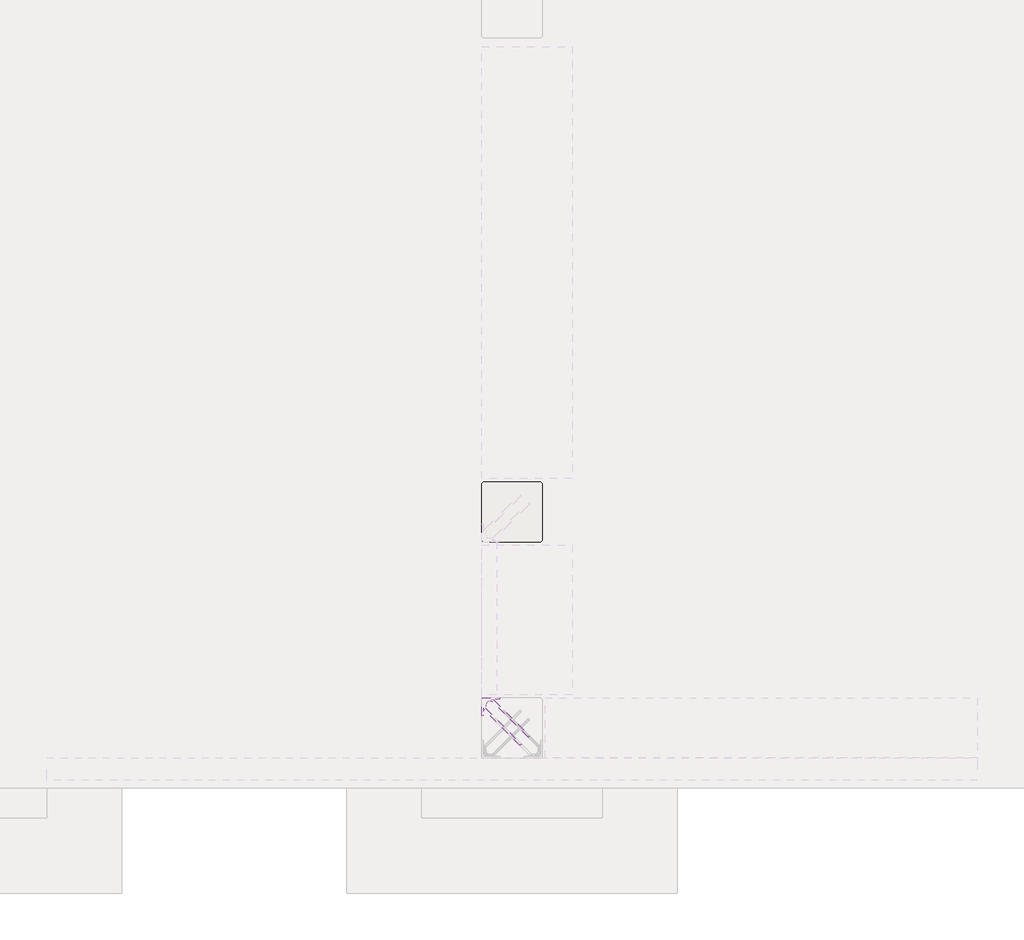
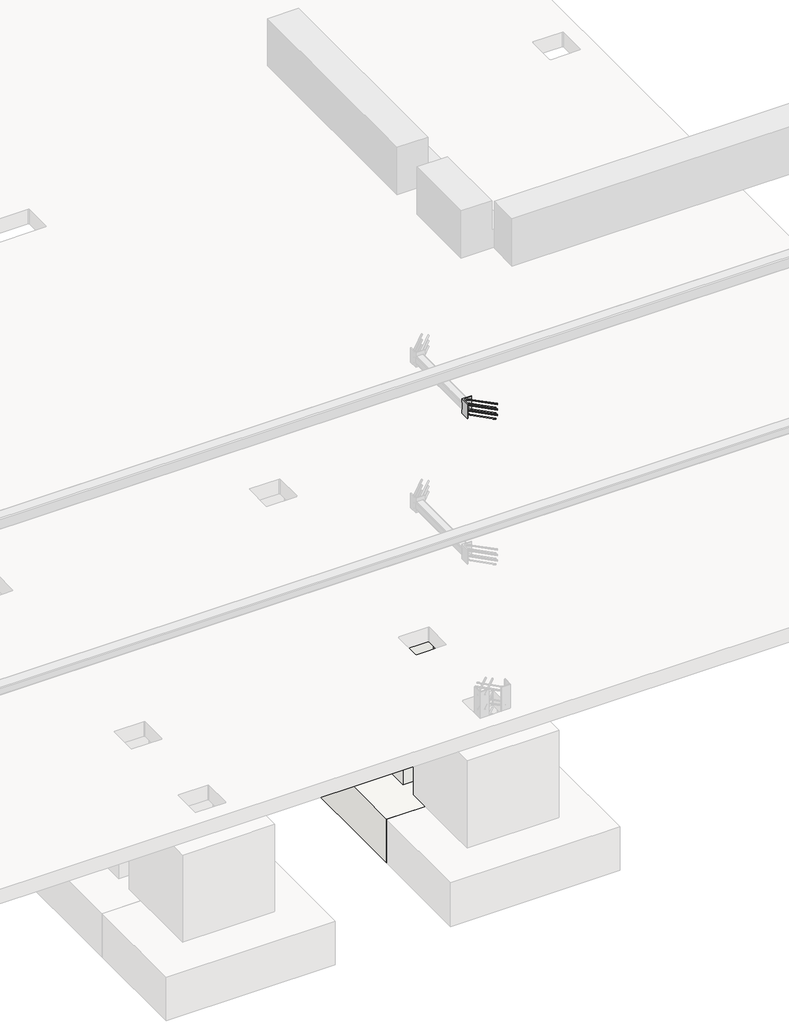
# One storey, part 50 of 65: 1 fastener, 1 slab.
"""IFC4 building model written with IfcOpenShell, lengths in millimetres."""

from ifc_helpers import new_model, si_unit, point, frame, frame_2d, origin, place, context, project, spatial, polyline, circle_curve, ellipse_curve, trimmed, segment, composite_curve, outline, extrude, faceted_brep, element, save
from ifc_brep_helpers import plane_surface, cylinder_surface, revolved_surface, advanced_brep

model = new_model("IFC4")

# Units and contexts
model_context = context("Model", 3, world=origin())
ifc_project = project(units=[si_unit("LENGTHUNIT", "METRE", prefix="MILLI")], contexts=[model_context])

# Site, building, storey
site = spatial("IfcSite", under=ifc_project)
building = spatial("IfcBuilding", under=site)
storey = spatial("IfcBuildingStorey", under=building, Elevation=0.0)

# Fastener
placement = place(None, origin())
element("IfcFastener", 1, at=placement, inside=storey, context=model_context, shape_type="SolidModel", body=[
    advanced_brep(
    [(74902.5376259, 9882.5628791, 4125.0), (74912.4371209, 9892.4623741, 4125.0), (74967.4371209, 9947.4623741, 4125.0), (74957.5376259, 9937.5628791, 4125.0), (74697.0, 10176.0, 4125.0), (74697.0, 10190.0, 4125.0), (74715.7867966, 10190.0, 4125.0), (74715.7867966, 10176.0, 4125.0), (74674.0, 10153.0, 4125.0), (74660.0, 10153.0, 4125.0), (74674.0, 10134.2132034, 4125.0), (74660.0, 10134.2132034, 4125.0), (74666.4436508, 10118.6568542, 4125.0), (74676.3431458, 10128.5563492, 4125.0), (74721.4436508, 10173.6568542, 4125.0), (74731.3431458, 10183.5563492, 4125.0)],
    [
        (0, 1, circle_curve(frame((74907.4873734, 9887.5126266, 4125.0), z_axis=(0.7071067811865459, -0.7071067811865493, 0.0), x_axis=(0.7071067811865493, 0.7071067811865459, 0.0)), 7.0)),
        (1, 0, circle_curve(frame((74907.4873734, 9887.5126266, 4125.0), z_axis=(0.7071067811865459, -0.7071067811865493, 0.0), x_axis=(0.7071067811865493, 0.7071067811865459, 0.0)), 7.0)),
        (2, 3, circle_curve(frame((74962.4873734, 9942.5126266, 4125.0), z_axis=(0.7071067811865457, -0.7071067811865493, 0.0), x_axis=(-0.7071067811865493, -0.7071067811865457, 0.0)), 7.0)),
        (3, 2, circle_curve(frame((74962.4873734, 9942.5126266, 4125.0), z_axis=(0.7071067811865457, -0.7071067811865493, 0.0), x_axis=(-0.7071067811865493, -0.7071067811865457, 0.0)), 7.0)),
        (4, 5, circle_curve(frame((74697.0, 10183.0, 4125.0), z_axis=(1.0, 0.0, 0.0), x_axis=(0.0, -1.0, 0.0)), 7.0)),
        (5, 6),
        (6, 7, circle_curve(frame((74715.7867966, 10183.0, 4125.0), z_axis=(-1.0, 0.0, 0.0), x_axis=(0.0, -1.0, 0.0)), 7.0)),
        (7, 4),
        (5, 4, circle_curve(frame((74697.0, 10183.0, 4125.0), z_axis=(1.0, 0.0, 0.0), x_axis=(0.0, -1.0, 0.0)), 7.0)),
        (7, 6, circle_curve(frame((74715.7867966, 10183.0, 4125.0), z_axis=(-1.0, 0.0, 0.0), x_axis=(0.0, -1.0, 0.0)), 7.0)),
        (4, 8, circle_curve(frame((74697.0, 10153.0, 4125.0), z_axis=(0.0, 0.0, 1.0), x_axis=(-1.0, 0.0, 0.0)), 23.0)),
        (8, 9, circle_curve(frame((74667.0, 10153.0, 4125.0), z_axis=(0.0, 1.0, 0.0), x_axis=(1.0, 0.0, 0.0)), 7.0)),
        (9, 5, circle_curve(frame((74697.0, 10153.0, 4125.0), z_axis=(0.0, 0.0, -1.0), x_axis=(-1.0, 0.0, 0.0)), 37.0)),
        (9, 8, circle_curve(frame((74667.0, 10153.0, 4125.0), z_axis=(0.0, 1.0, 0.0), x_axis=(1.0, 0.0, 0.0)), 7.0)),
        (10, 11, circle_curve(frame((74667.0, 10134.2132034, 4125.0), z_axis=(0.0, 1.0, 0.0), x_axis=(1.0, 0.0, 0.0)), 7.0)),
        (11, 9),
        (8, 10),
        (11, 10, circle_curve(frame((74667.0, 10134.2132034, 4125.0), z_axis=(0.0, 1.0, 0.0), x_axis=(1.0, 0.0, 0.0)), 7.0)),
        (0, 12),
        (12, 13, circle_curve(frame((74671.3933983, 10123.6066017, 4125.0), z_axis=(0.7071067811865459, -0.7071067811865493, 0.0), x_axis=(0.7071067811865493, 0.7071067811865459, 0.0)), 7.0)),
        (13, 1),
        (13, 12, circle_curve(frame((74671.3933983, 10123.6066017, 4125.0), z_axis=(0.7071067811865459, -0.7071067811865493, 0.0), x_axis=(0.7071067811865493, 0.7071067811865459, 0.0)), 7.0)),
        (10, 13, circle_curve(frame((74682.0, 10134.2132034, 4125.0), z_axis=(0.0, 0.0, 1.0), x_axis=(-0.7071067811865491, -0.7071067811865459, 0.0)), 8.0)),
        (12, 11, circle_curve(frame((74682.0, 10134.2132034, 4125.0), z_axis=(0.0, 0.0, -1.0), x_axis=(-0.7071067811865491, -0.7071067811865459, 0.0)), 22.0)),
        (14, 7, circle_curve(frame((74715.7867966, 10168.0, 4125.0), z_axis=(0.0, 0.0, 1.0), x_axis=(0.0, 1.0, 0.0)), 8.0)),
        (6, 15, circle_curve(frame((74715.7867966, 10168.0, 4125.0), z_axis=(0.0, 0.0, -1.0), x_axis=(0.0, 1.0, 0.0)), 22.0)),
        (15, 14, circle_curve(frame((74726.3933983, 10178.6066017, 4125.0), z_axis=(-0.7071067811865456, 0.7071067811865495, 0.0), x_axis=(-0.7071067811865495, -0.7071067811865456, 0.0)), 7.0)),
        (14, 15, circle_curve(frame((74726.3933983, 10178.6066017, 4125.0), z_axis=(-0.707106781186545, 0.70710678118655, 0.0), x_axis=(-0.70710678118655, -0.707106781186545, 0.0)), 7.0)),
        (15, 2),
        (3, 14),
    ],
    [
        plane_surface(frame((74907.4873734, 9887.5126266, 4125.0), z_axis=(0.7071067811865459, -0.7071067811865493, 0.0), x_axis=(0.0, 0.0, -1.0))),
        plane_surface(frame((74962.4873734, 9942.5126266, 4125.0), z_axis=(0.7071067811865457, -0.7071067811865493, 0.0), x_axis=(0.0, 0.0, -1.0))),
        cylinder_surface(frame((74697.0, 10183.0, 4125.0), z_axis=(-1.0, 0.0, 0.0), x_axis=(0.0, -1.0, 0.0)), 7.0),
        revolved_surface(trimmed(ellipse_curve(frame((74667.0, 10153.0, 4125.0), z_axis=(0.0, -1.0, 0.0), x_axis=(1.0, 0.0, 0.0)), 7.0, 7.0), [point((74660.0, 10153.0, 4125.0))], [point((74674.0, 10153.0, 4125.0))], True, "CARTESIAN"), (74697.0, 10153.0, 4125.0), (0.0, 0.0, -1.0)),
        revolved_surface(trimmed(ellipse_curve(frame((74667.0, 10153.0, 4125.0), z_axis=(0.0, -1.0, 0.0), x_axis=(1.0, 0.0, 0.0)), 7.0, 7.0), [point((74674.0, 10153.0, 4125.0))], [point((74660.0, 10153.0, 4125.0))], True, "CARTESIAN"), (74697.0, 10153.0, 4125.0), (0.0, 0.0, -1.0)),
        cylinder_surface(frame((74667.0, 10134.2132034, 4125.0), z_axis=(0.0, -1.0, 0.0), x_axis=(1.0, 0.0, 0.0)), 7.0),
        cylinder_surface(frame((74907.4873734, 9887.5126266, 4125.0), z_axis=(0.7071067811865459, -0.7071067811865493, 0.0), x_axis=(0.7071067811865493, 0.7071067811865459, 0.0)), 7.0),
        revolved_surface(trimmed(ellipse_curve(frame((74671.3933983, 10123.6066017, 4125.0), z_axis=(0.7071067811865459, -0.7071067811865491, 0.0), x_axis=(0.7071067811865491, 0.7071067811865459, 0.0)), 7.0, 7.0), [point((74666.4436508, 10118.6568542, 4125.0))], [point((74676.3431458, 10128.5563492, 4125.0))], True, "CARTESIAN"), (74682.0, 10134.2132034, 4125.0), (0.0, 0.0, -1.0)),
        revolved_surface(trimmed(ellipse_curve(frame((74671.3933983, 10123.6066017, 4125.0), z_axis=(0.7071067811865459, -0.7071067811865491, 0.0), x_axis=(0.7071067811865491, 0.7071067811865459, 0.0)), 7.0, 7.0), [point((74676.3431458, 10128.5563492, 4125.0))], [point((74666.4436508, 10118.6568542, 4125.0))], True, "CARTESIAN"), (74682.0, 10134.2132034, 4125.0), (0.0, 0.0, -1.0)),
        revolved_surface(trimmed(ellipse_curve(frame((74715.7867966, 10183.0, 4125.0), z_axis=(-1.0, 0.0, 0.0), x_axis=(0.0, -1.0, 0.0)), 7.0, 7.0), [point((74715.7867966, 10190.0, 4125.0))], [point((74715.7867966, 10176.0, 4125.0))], True, "CARTESIAN"), (74715.7867966, 10168.0, 4125.0), (0.0, 0.0, -1.0)),
        revolved_surface(trimmed(ellipse_curve(frame((74715.7867966, 10183.0, 4125.0), z_axis=(-1.0, 0.0, 0.0), x_axis=(0.0, -1.0, 0.0)), 7.0, 7.0), [point((74715.7867966, 10176.0, 4125.0))], [point((74715.7867966, 10190.0, 4125.0))], True, "CARTESIAN"), (74715.7867966, 10168.0, 4125.0), (0.0, 0.0, -1.0)),
        cylinder_surface(frame((74726.3933983, 10178.6066017, 4125.0), z_axis=(-0.7071067811865457, 0.7071067811865493, 0.0), x_axis=(-0.7071067811865493, -0.7071067811865457, 0.0)), 7.0),
    ],
    [
        (0, [[1, 2]]),
        (1, [[3, 4]]),
        (2, [[5, 6, 7, 8]]),
        (2, [[9, -8, 10, -6]]),
        (3, [[11, 12, 13, -5]]),
        (4, [[-13, 14, -11, -9]]),
        (5, [[15, 16, -12, 17]]),
        (5, [[18, -17, -14, -16]]),
        (6, [[-1, 19, 20, 21]]),
        (6, [[-2, -21, 22, -19]]),
        (7, [[23, -20, 24, -15]]),
        (8, [[-24, -22, -23, -18]]),
        (9, [[25, -7, 26, 27]]),
        (10, [[-26, -10, -25, 28]]),
        (11, [[-27, 29, -4, 30]]),
        (11, [[-28, -30, -3, -29]]),
    ],
),
    advanced_brep(
    [(74912.4371209, 9892.4623741, 3975.0), (74902.5376259, 9882.5628791, 3975.0), (74957.5376259, 9937.5628791, 3975.0), (74967.4371209, 9947.4623741, 3975.0), (74697.0, 10190.0, 3975.0), (74697.0, 10176.0, 3975.0), (74715.7867966, 10176.0, 3975.0), (74715.7867966, 10190.0, 3975.0), (74660.0, 10153.0, 3975.0), (74674.0, 10153.0, 3975.0), (74660.0, 10134.2132034, 3975.0), (74674.0, 10134.2132034, 3975.0), (74676.3431458, 10128.5563492, 3975.0), (74666.4436508, 10118.6568542, 3975.0), (74731.3431458, 10183.5563492, 3975.0), (74721.4436508, 10173.6568542, 3975.0)],
    [
        (0, 1, circle_curve(frame((74907.4873734, 9887.5126266, 3975.0), z_axis=(0.7071067811865459, -0.7071067811865493, 0.0), x_axis=(-0.7071067811865493, -0.7071067811865459, 0.0)), 7.0)),
        (1, 0, circle_curve(frame((74907.4873734, 9887.5126266, 3975.0), z_axis=(0.7071067811865459, -0.7071067811865493, 0.0), x_axis=(-0.7071067811865493, -0.7071067811865459, 0.0)), 7.0)),
        (2, 3, circle_curve(frame((74962.4873734, 9942.5126266, 3975.0), z_axis=(0.7071067811865458, -0.7071067811865493, 0.0), x_axis=(0.7071067811865493, 0.7071067811865458, 0.0)), 7.0)),
        (3, 2, circle_curve(frame((74962.4873734, 9942.5126266, 3975.0), z_axis=(0.7071067811865458, -0.7071067811865493, 0.0), x_axis=(0.7071067811865493, 0.7071067811865458, 0.0)), 7.0)),
        (4, 5, circle_curve(frame((74697.0, 10183.0, 3975.0), z_axis=(1.0, 0.0, 0.0), x_axis=(0.0, 1.0, 0.0)), 7.0)),
        (5, 6),
        (6, 7, circle_curve(frame((74715.7867966, 10183.0, 3975.0), z_axis=(-1.0, 0.0, 0.0), x_axis=(0.0, 1.0, 0.0)), 7.0)),
        (7, 4),
        (5, 4, circle_curve(frame((74697.0, 10183.0, 3975.0), z_axis=(1.0, 0.0, 0.0), x_axis=(0.0, 1.0, 0.0)), 7.0)),
        (7, 6, circle_curve(frame((74715.7867966, 10183.0, 3975.0), z_axis=(-1.0, 0.0, 0.0), x_axis=(0.0, 1.0, 0.0)), 7.0)),
        (4, 8, circle_curve(frame((74697.0, 10153.0, 3975.0), z_axis=(0.0, 0.0, 1.0), x_axis=(-1.0, 0.0, 0.0)), 37.0)),
        (8, 9, circle_curve(frame((74667.0, 10153.0, 3975.0), z_axis=(0.0, 1.0, 0.0), x_axis=(-1.0, 0.0, 0.0)), 7.0)),
        (9, 5, circle_curve(frame((74697.0, 10153.0, 3975.0), z_axis=(0.0, 0.0, -1.0), x_axis=(-1.0, 0.0, 0.0)), 23.0)),
        (9, 8, circle_curve(frame((74667.0, 10153.0, 3975.0), z_axis=(0.0, 1.0, 0.0), x_axis=(-1.0, 0.0, 0.0)), 7.0)),
        (10, 11, circle_curve(frame((74667.0, 10134.2132034, 3975.0), z_axis=(0.0, 1.0, 0.0), x_axis=(-1.0, 0.0, 0.0)), 7.0)),
        (11, 9),
        (8, 10),
        (11, 10, circle_curve(frame((74667.0, 10134.2132034, 3975.0), z_axis=(0.0, 1.0, 0.0), x_axis=(-1.0, 0.0, 0.0)), 7.0)),
        (0, 12),
        (12, 13, circle_curve(frame((74671.3933983, 10123.6066017, 3975.0), z_axis=(0.7071067811865459, -0.7071067811865493, 0.0), x_axis=(-0.7071067811865493, -0.7071067811865459, 0.0)), 7.0)),
        (13, 1),
        (13, 12, circle_curve(frame((74671.3933983, 10123.6066017, 3975.0), z_axis=(0.7071067811865459, -0.7071067811865493, 0.0), x_axis=(-0.7071067811865493, -0.7071067811865459, 0.0)), 7.0)),
        (10, 13, circle_curve(frame((74682.0, 10134.2132034, 3975.0), z_axis=(0.0, 0.0, 1.0), x_axis=(-0.7071067811865491, -0.7071067811865459, 0.0)), 22.0)),
        (12, 11, circle_curve(frame((74682.0, 10134.2132034, 3975.0), z_axis=(0.0, 0.0, -1.0), x_axis=(-0.7071067811865491, -0.7071067811865459, 0.0)), 8.0)),
        (14, 7, circle_curve(frame((74715.7867966, 10168.0, 3975.0), z_axis=(0.0, 0.0, 1.0), x_axis=(0.0, 1.0, 0.0)), 22.0)),
        (6, 15, circle_curve(frame((74715.7867966, 10168.0, 3975.0), z_axis=(0.0, 0.0, -1.0), x_axis=(0.0, 1.0, 0.0)), 8.0)),
        (15, 14, circle_curve(frame((74726.3933983, 10178.6066017, 3975.0), z_axis=(-0.7071067811865442, 0.7071067811865508, 0.0), x_axis=(0.7071067811865508, 0.7071067811865442, 0.0)), 7.0)),
        (14, 15, circle_curve(frame((74726.3933983, 10178.6066017, 3975.0), z_axis=(-0.707106781186545, 0.70710678118655, 0.0), x_axis=(0.70710678118655, 0.707106781186545, 0.0)), 7.0)),
        (15, 2),
        (3, 14),
    ],
    [
        plane_surface(frame((74907.4873734, 9887.5126266, 3975.0), z_axis=(0.7071067811865459, -0.7071067811865493, 0.0), x_axis=(0.0, 0.0, 1.0))),
        plane_surface(frame((74962.4873734, 9942.5126266, 3975.0), z_axis=(0.7071067811865458, -0.7071067811865493, 0.0), x_axis=(0.0, 0.0, 1.0))),
        cylinder_surface(frame((74697.0, 10183.0, 3975.0), z_axis=(-1.0, 0.0, 0.0), x_axis=(0.0, 1.0, 0.0)), 7.0),
        revolved_surface(trimmed(ellipse_curve(frame((74667.0, 10153.0, 3975.0), z_axis=(0.0, -1.0, 0.0), x_axis=(-1.0, 0.0, 0.0)), 7.0, 7.0), [point((74674.0, 10153.0, 3975.0))], [point((74660.0, 10153.0, 3975.0))], True, "CARTESIAN"), (74697.0, 10153.0, 3975.0), (0.0, 0.0, -1.0)),
        revolved_surface(trimmed(ellipse_curve(frame((74667.0, 10153.0, 3975.0), z_axis=(0.0, -1.0, 0.0), x_axis=(-1.0, 0.0, 0.0)), 7.0, 7.0), [point((74660.0, 10153.0, 3975.0))], [point((74674.0, 10153.0, 3975.0))], True, "CARTESIAN"), (74697.0, 10153.0, 3975.0), (0.0, 0.0, -1.0)),
        cylinder_surface(frame((74667.0, 10134.2132034, 3975.0), z_axis=(0.0, -1.0, 0.0), x_axis=(-1.0, 0.0, 0.0)), 7.0),
        cylinder_surface(frame((74907.4873734, 9887.5126266, 3975.0), z_axis=(0.7071067811865459, -0.7071067811865493, 0.0), x_axis=(-0.7071067811865493, -0.7071067811865459, 0.0)), 7.0),
        revolved_surface(trimmed(ellipse_curve(frame((74671.3933983, 10123.6066017, 3975.0), z_axis=(0.7071067811865459, -0.7071067811865491, 0.0), x_axis=(-0.7071067811865491, -0.7071067811865459, 0.0)), 7.0, 7.0), [point((74676.3431458, 10128.5563492, 3975.0))], [point((74666.4436508, 10118.6568542, 3975.0))], True, "CARTESIAN"), (74682.0, 10134.2132034, 3975.0), (0.0, 0.0, -1.0)),
        revolved_surface(trimmed(ellipse_curve(frame((74671.3933983, 10123.6066017, 3975.0), z_axis=(0.7071067811865459, -0.7071067811865491, 0.0), x_axis=(-0.7071067811865491, -0.7071067811865459, 0.0)), 7.0, 7.0), [point((74666.4436508, 10118.6568542, 3975.0))], [point((74676.3431458, 10128.5563492, 3975.0))], True, "CARTESIAN"), (74682.0, 10134.2132034, 3975.0), (0.0, 0.0, -1.0)),
        revolved_surface(trimmed(ellipse_curve(frame((74715.7867966, 10183.0, 3975.0), z_axis=(-1.0, 0.0, 0.0), x_axis=(0.0, 1.0, 0.0)), 7.0, 7.0), [point((74715.7867966, 10176.0, 3975.0))], [point((74715.7867966, 10190.0, 3975.0))], True, "CARTESIAN"), (74715.7867966, 10168.0, 3975.0), (0.0, 0.0, -1.0)),
        revolved_surface(trimmed(ellipse_curve(frame((74715.7867966, 10183.0, 3975.0), z_axis=(-1.0, 0.0, 0.0), x_axis=(0.0, 1.0, 0.0)), 7.0, 7.0), [point((74715.7867966, 10190.0, 3975.0))], [point((74715.7867966, 10176.0, 3975.0))], True, "CARTESIAN"), (74715.7867966, 10168.0, 3975.0), (0.0, 0.0, -1.0)),
        cylinder_surface(frame((74726.3933983, 10178.6066017, 3975.0), z_axis=(-0.7071067811865458, 0.7071067811865493, 0.0), x_axis=(0.7071067811865493, 0.7071067811865458, 0.0)), 7.0),
    ],
    [
        (0, [[1, 2]]),
        (1, [[3, 4]]),
        (2, [[5, 6, 7, 8]]),
        (2, [[9, -8, 10, -6]]),
        (3, [[11, 12, 13, -5]]),
        (4, [[-13, 14, -11, -9]]),
        (5, [[15, 16, -12, 17]]),
        (5, [[18, -17, -14, -16]]),
        (6, [[-1, 19, 20, 21]]),
        (6, [[-2, -21, 22, -19]]),
        (7, [[23, -20, 24, -15]]),
        (8, [[-24, -22, -23, -18]]),
        (9, [[25, -7, 26, 27]]),
        (10, [[-26, -10, -25, 28]]),
        (11, [[-27, 29, -4, 30]]),
        (11, [[-28, -30, -3, -29]]),
    ],
),
    advanced_brep(
    [(74912.4371209, 9892.4623741, 4050.0), (74902.5376259, 9882.5628791, 4050.0), (74957.5376259, 9937.5628791, 4050.0), (74967.4371209, 9947.4623741, 4050.0), (74697.0, 10190.0, 4050.0), (74697.0, 10176.0, 4050.0), (74715.7867966, 10176.0, 4050.0), (74715.7867966, 10190.0, 4050.0), (74660.0, 10153.0, 4050.0), (74674.0, 10153.0, 4050.0), (74660.0, 10134.2132034, 4050.0), (74674.0, 10134.2132034, 4050.0), (74676.3431458, 10128.5563492, 4050.0), (74666.4436508, 10118.6568542, 4050.0), (74731.3431458, 10183.5563492, 4050.0), (74721.4436508, 10173.6568542, 4050.0)],
    [
        (0, 1, circle_curve(frame((74907.4873734, 9887.5126266, 4050.0), z_axis=(0.7071067811865458, -0.7071067811865492, 0.0), x_axis=(-0.7071067811865492, -0.7071067811865458, 0.0)), 7.0)),
        (1, 0, circle_curve(frame((74907.4873734, 9887.5126266, 4050.0), z_axis=(0.7071067811865458, -0.7071067811865492, 0.0), x_axis=(-0.7071067811865492, -0.7071067811865458, 0.0)), 7.0)),
        (2, 3, circle_curve(frame((74962.4873734, 9942.5126266, 4050.0), z_axis=(0.7071067811865458, -0.7071067811865493, 0.0), x_axis=(0.7071067811865493, 0.7071067811865458, 0.0)), 7.0)),
        (3, 2, circle_curve(frame((74962.4873734, 9942.5126266, 4050.0), z_axis=(0.7071067811865458, -0.7071067811865493, 0.0), x_axis=(0.7071067811865493, 0.7071067811865458, 0.0)), 7.0)),
        (4, 5, circle_curve(frame((74697.0, 10183.0, 4050.0), z_axis=(1.0, 0.0, 0.0), x_axis=(0.0, 1.0, 0.0)), 7.0)),
        (5, 6),
        (6, 7, circle_curve(frame((74715.7867966, 10183.0, 4050.0), z_axis=(-1.0, 0.0, 0.0), x_axis=(0.0, 1.0, 0.0)), 7.0)),
        (7, 4),
        (5, 4, circle_curve(frame((74697.0, 10183.0, 4050.0), z_axis=(1.0, 0.0, 0.0), x_axis=(0.0, 1.0, 0.0)), 7.0)),
        (7, 6, circle_curve(frame((74715.7867966, 10183.0, 4050.0), z_axis=(-1.0, 0.0, 0.0), x_axis=(0.0, 1.0, 0.0)), 7.0)),
        (4, 8, circle_curve(frame((74697.0, 10153.0, 4050.0), z_axis=(0.0, 0.0, 1.0), x_axis=(-1.0, 0.0, 0.0)), 37.0)),
        (8, 9, circle_curve(frame((74667.0, 10153.0, 4050.0), z_axis=(0.0, 1.0, 0.0), x_axis=(-1.0, 0.0, 0.0)), 7.0)),
        (9, 5, circle_curve(frame((74697.0, 10153.0, 4050.0), z_axis=(0.0, 0.0, -1.0), x_axis=(-1.0, 0.0, 0.0)), 23.0)),
        (9, 8, circle_curve(frame((74667.0, 10153.0, 4050.0), z_axis=(0.0, 1.0, 0.0), x_axis=(-1.0, 0.0, 0.0)), 7.0)),
        (10, 11, circle_curve(frame((74667.0, 10134.2132034, 4050.0), z_axis=(0.0, 1.0, 0.0), x_axis=(-1.0, 0.0, 0.0)), 7.0)),
        (11, 9),
        (8, 10),
        (11, 10, circle_curve(frame((74667.0, 10134.2132034, 4050.0), z_axis=(0.0, 1.0, 0.0), x_axis=(-1.0, 0.0, 0.0)), 7.0)),
        (0, 12),
        (12, 13, circle_curve(frame((74671.3933983, 10123.6066017, 4050.0), z_axis=(0.7071067811865458, -0.7071067811865492, 0.0), x_axis=(-0.7071067811865492, -0.7071067811865458, 0.0)), 7.0)),
        (13, 1),
        (13, 12, circle_curve(frame((74671.3933983, 10123.6066017, 4050.0), z_axis=(0.7071067811865458, -0.7071067811865492, 0.0), x_axis=(-0.7071067811865492, -0.7071067811865458, 0.0)), 7.0)),
        (10, 13, circle_curve(frame((74682.0, 10134.2132034, 4050.0), z_axis=(0.0, 0.0, 1.0), x_axis=(-0.7071067811865491, -0.7071067811865459, 0.0)), 22.0)),
        (12, 11, circle_curve(frame((74682.0, 10134.2132034, 4050.0), z_axis=(0.0, 0.0, -1.0), x_axis=(-0.7071067811865491, -0.7071067811865459, 0.0)), 8.0)),
        (14, 7, circle_curve(frame((74715.7867966, 10168.0, 4050.0), z_axis=(0.0, 0.0, 1.0), x_axis=(0.0, 1.0, 0.0)), 22.0)),
        (6, 15, circle_curve(frame((74715.7867966, 10168.0, 4050.0), z_axis=(0.0, 0.0, -1.0), x_axis=(0.0, 1.0, 0.0)), 8.0)),
        (15, 14, circle_curve(frame((74726.3933983, 10178.6066017, 4050.0), z_axis=(-0.7071067811865457, 0.7071067811865493, 0.0), x_axis=(0.7071067811865493, 0.7071067811865457, 0.0)), 7.0)),
        (14, 15, circle_curve(frame((74726.3933983, 10178.6066017, 4050.0), z_axis=(-0.7071067811865456, 0.7071067811865495, 0.0), x_axis=(0.7071067811865495, 0.7071067811865456, 0.0)), 7.0)),
        (15, 2),
        (3, 14),
    ],
    [
        plane_surface(frame((74907.4873734, 9887.5126266, 4050.0), z_axis=(0.7071067811865458, -0.7071067811865492, 0.0), x_axis=(0.0, 0.0, 1.0))),
        plane_surface(frame((74962.4873734, 9942.5126266, 4050.0), z_axis=(0.7071067811865457, -0.7071067811865495, 0.0), x_axis=(0.0, 0.0, 1.0))),
        cylinder_surface(frame((74697.0, 10183.0, 4050.0), z_axis=(-1.0, 0.0, 0.0), x_axis=(0.0, 1.0, 0.0)), 7.0),
        revolved_surface(trimmed(ellipse_curve(frame((74667.0, 10153.0, 4050.0), z_axis=(0.0, -1.0, 0.0), x_axis=(-1.0, 0.0, 0.0)), 7.0, 7.0), [point((74674.0, 10153.0, 4050.0))], [point((74660.0, 10153.0, 4050.0))], True, "CARTESIAN"), (74697.0, 10153.0, 4050.0), (0.0, 0.0, -1.0)),
        revolved_surface(trimmed(ellipse_curve(frame((74667.0, 10153.0, 4050.0), z_axis=(0.0, -1.0, 0.0), x_axis=(-1.0, 0.0, 0.0)), 7.0, 7.0), [point((74660.0, 10153.0, 4050.0))], [point((74674.0, 10153.0, 4050.0))], True, "CARTESIAN"), (74697.0, 10153.0, 4050.0), (0.0, 0.0, -1.0)),
        cylinder_surface(frame((74667.0, 10134.2132034, 4050.0), z_axis=(0.0, -1.0, 0.0), x_axis=(-1.0, 0.0, 0.0)), 7.0),
        cylinder_surface(frame((74907.4873734, 9887.5126266, 4050.0), z_axis=(0.7071067811865458, -0.7071067811865492, 0.0), x_axis=(-0.7071067811865492, -0.7071067811865458, 0.0)), 7.0),
        revolved_surface(trimmed(ellipse_curve(frame((74671.3933983, 10123.6066017, 4050.0), z_axis=(0.707106781186546, -0.707106781186549, 0.0), x_axis=(-0.707106781186549, -0.707106781186546, 0.0)), 7.0, 7.0), [point((74676.3431458, 10128.5563492, 4050.0))], [point((74666.4436508, 10118.6568542, 4050.0))], True, "CARTESIAN"), (74682.0, 10134.2132034, 4050.0), (0.0, 0.0, -1.0)),
        revolved_surface(trimmed(ellipse_curve(frame((74671.3933983, 10123.6066017, 4050.0), z_axis=(0.707106781186546, -0.707106781186549, 0.0), x_axis=(-0.707106781186549, -0.707106781186546, 0.0)), 7.0, 7.0), [point((74666.4436508, 10118.6568542, 4050.0))], [point((74676.3431458, 10128.5563492, 4050.0))], True, "CARTESIAN"), (74682.0, 10134.2132034, 4050.0), (0.0, 0.0, -1.0)),
        revolved_surface(trimmed(ellipse_curve(frame((74715.7867966, 10183.0, 4050.0), z_axis=(-1.0, 0.0, 0.0), x_axis=(0.0, 1.0, 0.0)), 7.0, 7.0), [point((74715.7867966, 10176.0, 4050.0))], [point((74715.7867966, 10190.0, 4050.0))], True, "CARTESIAN"), (74715.7867966, 10168.0, 4050.0), (0.0, 0.0, -1.0)),
        revolved_surface(trimmed(ellipse_curve(frame((74715.7867966, 10183.0, 4050.0), z_axis=(-1.0, 0.0, 0.0), x_axis=(0.0, 1.0, 0.0)), 7.0, 7.0), [point((74715.7867966, 10190.0, 4050.0))], [point((74715.7867966, 10176.0, 4050.0))], True, "CARTESIAN"), (74715.7867966, 10168.0, 4050.0), (0.0, 0.0, -1.0)),
        cylinder_surface(frame((74726.3933983, 10178.6066017, 4050.0), z_axis=(-0.7071067811865458, 0.7071067811865493, 0.0), x_axis=(0.7071067811865493, 0.7071067811865458, 0.0)), 7.0),
    ],
    [
        (0, [[1, 2]]),
        (1, [[3, 4]]),
        (2, [[5, 6, 7, 8]]),
        (2, [[9, -8, 10, -6]]),
        (3, [[11, 12, 13, -5]]),
        (4, [[-13, 14, -11, -9]]),
        (5, [[15, 16, -12, 17]]),
        (5, [[18, -17, -14, -16]]),
        (6, [[-1, 19, 20, 21]]),
        (6, [[-2, -21, 22, -19]]),
        (7, [[23, -20, 24, -15]]),
        (8, [[-24, -22, -23, -18]]),
        (9, [[25, -7, 26, 27]]),
        (10, [[-26, -10, -25, 28]]),
        (11, [[-27, 29, -4, 30]]),
        (11, [[-28, -30, -3, -29]]),
    ],
),
    extrude(outline(composite_curve([segment(polyline([(74650.0, 10200.0), (74770.0, 10200.0), (74770.0, 10196.5)]), True, "CONTINUOUS"), segment(trimmed(circle_curve(frame_2d((74763.5, 10196.5)), 6.5), [point((74770.0, 10196.5))], [point((74763.5, 10190.0))], False, "CARTESIAN"), True, "CONTINUOUS"), segment(polyline([(74763.5, 10190.0), (74673.0, 10190.0)]), True, "CONTINUOUS"), segment(trimmed(circle_curve(frame_2d((74673.0, 10177.0)), 13.0), [point((74673.0, 10190.0))], [point((74660.0, 10177.0))], True, "CARTESIAN"), True, "CONTINUOUS"), segment(polyline([(74660.0, 10177.0), (74660.0, 10086.5)]), True, "CONTINUOUS"), segment(trimmed(circle_curve(frame_2d((74653.5, 10086.5)), 6.5), [point((74660.0, 10086.5))], [point((74653.5, 10080.0))], False, "CARTESIAN"), True, "CONTINUOUS"), segment(polyline([(74653.5, 10080.0), (74650.0, 10080.0), (74650.0, 10200.0)]), True, "CONTINUOUS")], self_intersect=False)), frame((0.0, 0.0, 3950.0), z_axis=(0.0, 0.0, 1.0), x_axis=(1.0, 0.0, 0.0)), (0.0, 0.0, 1.0), 200.0),
])

# Slab
element("IfcSlab", 2, ObjectType="F2.2x2.2x0.6m P1.2x1.2x1.2m", at=placement, inside=storey, context=model_context, shape_type="Brep", body=[
    faceted_brep([(73750.0, 10340.0, -2000.0), (75950.0, 10340.0, -2000.0), (75950.0, 10340.0, -1400.0), (75450.0, 10340.0, -1400.0), (74250.0, 10340.0, -1400.0), (73750.0, 10340.0, -1400.0), (73750.0, 12540.0, -1400.0), (75950.0, 12540.0, -1400.0), (74250.0, 12040.0, -1400.0), (75450.0, 12040.0, -1400.0), (75450.0, 10840.0, -1400.0), (74250.0, 10840.0, -1400.0), (74250.0, 12040.0, -200.0), (75450.0, 12040.0, -200.0), (74575.0, 11715.0, -1400.0), (74575.0, 11165.0, -1400.0), (75125.0, 11165.0, -1400.0), (75125.0, 11715.0, -1400.0), (74250.0, 10840.0, -200.0), (75450.0, 10840.0, -200.0), (74500.0, 11090.0, -200.0), (74500.0, 11790.0, -200.0), (75200.0, 11790.0, -200.0), (75200.0, 11090.0, -200.0), (73750.0, 12540.0, -2000.0), (75950.0, 12540.0, -2000.0)], [[[0, 1, 2, 3, 4, 5]], [[6, 5, 4, 3, 2, 7], [8, 9, 10, 11]], [[9, 8, 12, 13]], [[14, 15, 16, 17]], [[13, 12, 18, 19], [20, 21, 22, 23]], [[24, 25, 1, 0]], [[24, 0, 5, 6]], [[1, 25, 7, 2]], [[25, 24, 6, 7]], [[10, 9, 13, 19]], [[11, 10, 19, 18]], [[8, 11, 18, 12]], [[15, 14, 21, 20]], [[16, 15, 20, 23]], [[17, 16, 23, 22]], [[14, 17, 22, 21]]]),
])

save(model, "model.ifc")
